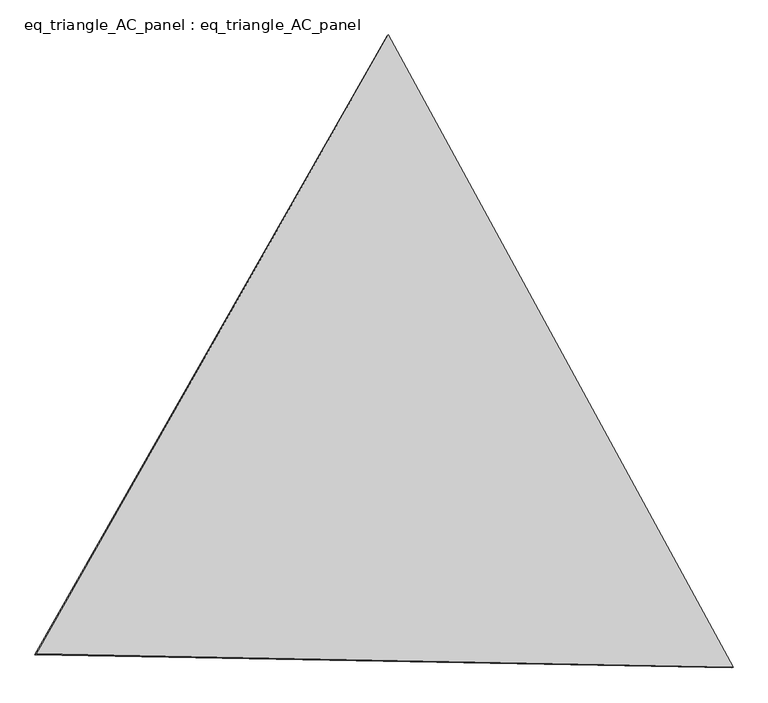
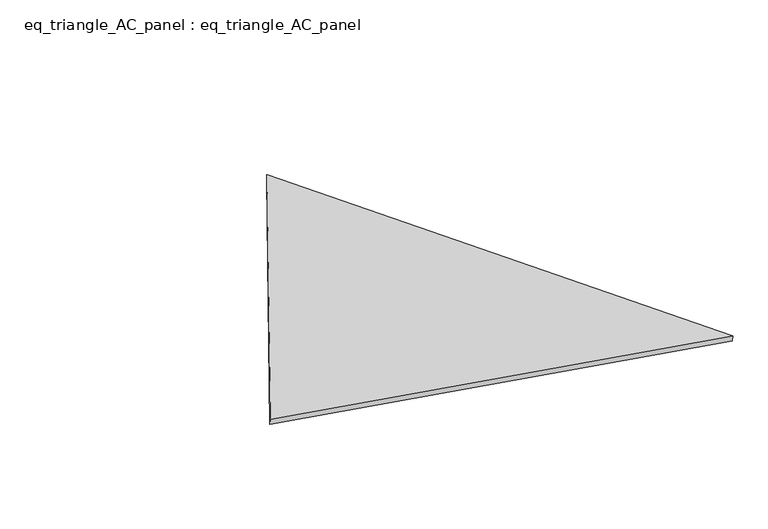
"""IFC4 building model written with IfcOpenShell, lengths in millimetres: proxy geometry, eq_triangle_AC_panel : eq_triangle_AC_panel."""

from ifc_helpers import new_model, si_unit, frame, origin, place, context, project, spatial, polyline, outline, extrude, source, transform, mapped, element, save


def eq_triangle_ac_panel_eq_triangle_ac_panel_e29c299d(model_context):
    return source(origin(), model_context, "Body", "SweptSolid", [
        extrude(outline(polyline([(-2091.1247396, 1173.1817838), (2032.9901534, 1173.1817838), (58.134586, -2346.3635675), (-2091.1247396, 1173.1817838)])), frame((0.0038051, 527.9290861, 89.8240019), z_axis=(0.14526328518058182, 0.08386570281802166, 0.9858321976225894), x_axis=(0.4787028591904501, -0.8779671586969141, 0.004152210562596267)), (0.0, 0.0, 1.0), 43.8306294),
    ])


if __name__ == "__main__":
    model = new_model("IFC4")
    model_context = context("Model", 3, world=origin())
    ifc_project = project(units=[si_unit("LENGTHUNIT", "METRE", prefix="MILLI")], contexts=[model_context])
    site = spatial("IfcSite", under=ifc_project)
    building = spatial("IfcBuilding", under=site)
    placement = place(None, origin())
    eq_triangle_ac_panel_eq_triangle_ac_panel_shape = eq_triangle_ac_panel_eq_triangle_ac_panel_e29c299d(model_context)
    element("IfcBuildingElementProxy", 1, Name="eq_triangle_AC_panel : eq_triangle_AC_panel", ObjectType="eq_triangle_AC_panel : eq_triangle_AC_panel", at=placement, inside=building, context=model_context, shape_type="MappedRepresentation", body=[
        mapped(eq_triangle_ac_panel_eq_triangle_ac_panel_shape, transform((0.0, 0.0, 0.0), x_axis=(1.0, 0.0, 0.0), y_axis=(0.0, 1.0, 0.0), z_axis=(0.0, 0.0, 1.0))),
    ])
    save(model, "model.ifc")
